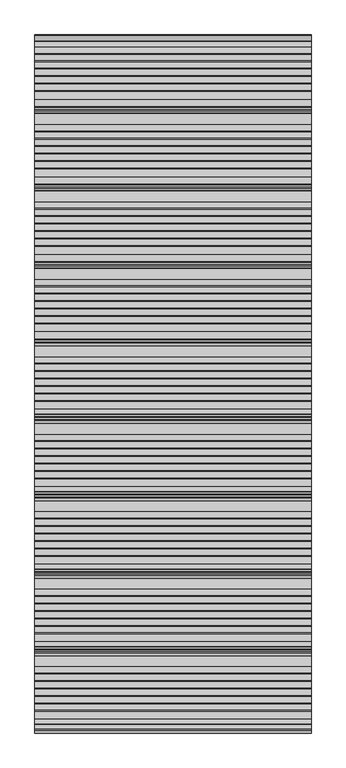
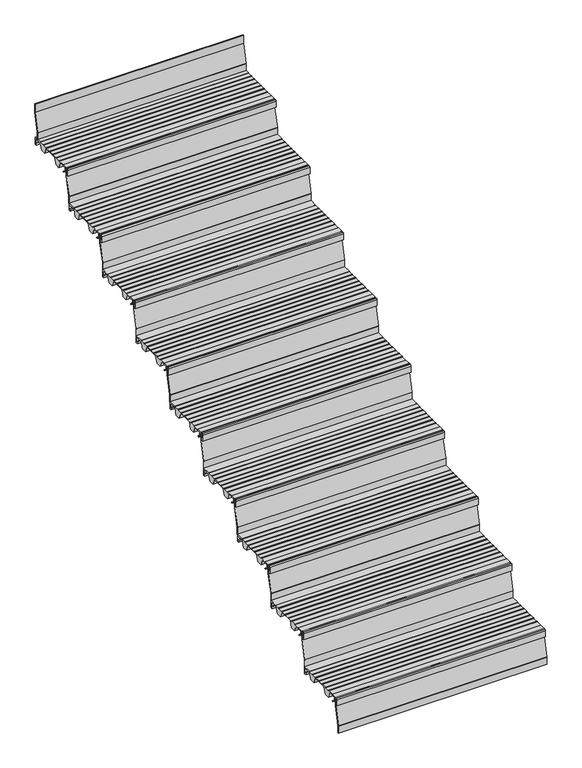
"""IFC4 building model written with IfcOpenShell, lengths in millimetres: stair flight geometry."""

from ifc_helpers import new_model, si_unit, point, frame, frame_2d, origin, place, context, project, spatial, polyline, circle_curve, trimmed, segment, composite_curve, outline, extrude, source, transform, mapped, element, save


def stair_flight_39169cca(model_context):
    return source(origin(), model_context, "Body", "SweptSolid", [
        extrude(outline(composite_curve([segment(polyline([(-251.0228882, 4122.0083372), (-239.2635956, 4112.8608187), (-235.814023, 4112.8532161), (-235.8198754, 4110.197748), (-240.1774004, 4110.2073517), (-253.4632244, 4120.5423544), (-254.1204224, 4140.3419091), (-270.9403325, 4140.3048394), (-270.9403325, 4118.9532616), (-265.0403648, 4118.9662647), (-265.0403648, 4109.707616), (-274.2346869, 4109.707616), (-274.2346869, 4140.5882353)]), True, "CONTINUOUS"), segment(trimmed(circle_curve(frame_2d((-269.2346869, 4140.5882353)), 5.0), [point((-274.2346869, 4140.5882353))], [point((-269.2346869, 4145.5882353))], False, "CARTESIAN"), True, "CONTINUOUS"), segment(polyline([(-269.2346869, 4145.5882353), (-234.5261336, 4145.5882353), (-234.5261336, 4144.2062594), (-204.4999776, 4144.1400841), (-204.4999776, 4145.7289212), (-202.4653981, 4145.7289212), (-202.4653981, 4143.7846383), (-177.6188218, 4143.7846383), (-177.6188218, 4145.7289212), (-175.5842423, 4145.7289212), (-175.5842423, 4143.7846383), (-150.7376659, 4143.7846383), (-150.7376659, 4145.7289212), (-148.7030864, 4145.7289212), (-148.7030864, 4143.7846383), (-123.8565101, 4143.7846383), (-123.8565101, 4145.7289212), (-121.8219306, 4145.7289212), (-121.8219306, 4143.7846383), (-96.9753543, 4143.7846383), (-96.9753543, 4145.7289212), (-94.9407747, 4145.7289212), (-94.9407747, 4143.7846383), (-70.1036061, 4143.7846383), (-70.1036061, 4145.7289212), (-68.0690266, 4145.7289212), (-68.0690266, 4143.7846383), (-43.2211524, 4143.7846383), (-43.2211524, 4145.6741584), (-4.2346869, 4145.5882353), (-4.2346869, 4109.6873524), (-13.429009, 4109.707616), (-13.429009, 4118.9662647), (-7.5290413, 4118.9532616), (-7.5290413, 4140.3048394), (-45.7505822, 4140.3890766), (-56.4760637, 4109.8024883), (-81.3678437, 4109.8573478), (-94.3617912, 4141.063068), (-165.0325064, 4141.2188207), (-175.9566079, 4110.0658141), (-200.848388, 4110.1206736), (-213.9210866, 4141.5155193), (-234.5261336, 4141.5609312), (-234.5261336, 4140.3850934), (-251.6316085, 4140.3473943), (-251.0228882, 4122.0083372)]), True, "CONTINUOUS")], self_intersect=False)), frame((-7858.8300828, 0.0, 0.0), z_axis=(1.0, 0.0, 0.0), x_axis=(0.0, 1.0, 0.0)), (0.0, 0.0, 1.0), 1000.0),
        extrude(outline(composite_curve([segment(polyline([(-262.7293497, 4145.5882353), (-260.7290994, 4145.5882353), (-260.7290994, 4104.1312856)]), True, "CONTINUOUS"), segment(trimmed(circle_curve(frame_2d((-264.6054869, 4104.0469557)), 3.8773048), [point((-260.7290994, 4104.1312856))], [point((-260.8355039, 4103.1410199))], False, "CARTESIAN"), True, "CONTINUOUS"), segment(polyline([(-260.8355039, 4103.1410199), (-282.2344365, 4014.0909912), (-282.2344365, 3978.0882353), (-284.2346869, 3978.0882353), (-284.2346869, 4013.7817433)]), True, "CONTINUOUS"), segment(trimmed(circle_curve(frame_2d((-279.6463851, 4013.7817433)), 4.5883018), [point((-284.2346869, 4013.7817433))], [point((-284.1076852, 4014.8538043))], False, "CARTESIAN"), True, "CONTINUOUS"), segment(polyline([(-284.1076852, 4014.8538043), (-262.7293497, 4103.8181193), (-262.7293497, 4145.5882353)]), True, "CONTINUOUS")], self_intersect=False)), frame((-7858.8300828, 0.0, 0.0), z_axis=(1.0, 0.0, 0.0), x_axis=(0.0, 1.0, 0.0)), (0.0, 0.0, 1.0), 1000.0),
        extrude(outline(composite_curve([segment(polyline([(17.2706503, 4311.4117647), (19.2709006, 4311.4117647), (19.2709006, 4269.954815)]), True, "CONTINUOUS"), segment(trimmed(circle_curve(frame_2d((15.3945131, 4269.8704851)), 3.8773048), [point((19.2709006, 4269.954815))], [point((19.1644961, 4268.9645493))], False, "CARTESIAN"), True, "CONTINUOUS"), segment(polyline([(19.1644961, 4268.9645493), (-2.2344365, 4179.9145206), (-2.2344365, 4143.9117647), (-4.2346869, 4143.9117647), (-4.2346869, 4179.6052727)]), True, "CONTINUOUS"), segment(trimmed(circle_curve(frame_2d((0.3536149, 4179.6052727)), 4.5883018), [point((-4.2346869, 4179.6052727))], [point((-4.1076852, 4180.6773337))], False, "CARTESIAN"), True, "CONTINUOUS"), segment(polyline([(-4.1076852, 4180.6773337), (17.2706503, 4269.6416487), (17.2706503, 4311.4117647)]), True, "CONTINUOUS")], self_intersect=False)), frame((-7858.8300828, 0.0, 0.0), z_axis=(1.0, 0.0, 0.0), x_axis=(0.0, 1.0, 0.0)), (0.0, 0.0, 1.0), 1000.0),
        extrude(outline(composite_curve([segment(polyline([(28.9771118, 4287.8318666), (40.7364044, 4278.6843481), (44.185977, 4278.6767455), (44.1801246, 4276.0212774), (39.8225996, 4276.0308811), (26.5367756, 4286.3658838), (25.8795776, 4306.1654385), (9.0596675, 4306.1283688), (9.0596675, 4284.7767911), (14.9596352, 4284.7897941), (14.9596352, 4275.5311454), (5.7653131, 4275.5311454), (5.7653131, 4306.4117647)]), True, "CONTINUOUS"), segment(trimmed(circle_curve(frame_2d((10.7653131, 4306.4117647)), 5.0), [point((5.7653131, 4306.4117647))], [point((10.7653131, 4311.4117647))], False, "CARTESIAN"), True, "CONTINUOUS"), segment(polyline([(10.7653131, 4311.4117647), (45.4738664, 4311.4117647), (45.4738664, 4310.0297889), (75.5000224, 4309.9636136), (75.5000224, 4311.5524506), (77.5346019, 4311.5524506), (77.5346019, 4309.6081677), (102.3811782, 4309.6081677), (102.3811782, 4311.5524506), (104.4157577, 4311.5524506), (104.4157577, 4309.6081677), (129.2623341, 4309.6081677), (129.2623341, 4311.5524506), (131.2969136, 4311.5524506), (131.2969136, 4309.6081677), (156.1434899, 4309.6081677), (156.1434899, 4311.5524506), (158.1780694, 4311.5524506), (158.1780694, 4309.6081677), (183.0246457, 4309.6081677), (183.0246457, 4311.5524506), (185.0592253, 4311.5524506), (185.0592253, 4309.6081677), (209.8963939, 4309.6081677), (209.8963939, 4311.5524506), (211.9309734, 4311.5524506), (211.9309734, 4309.6081677), (236.7788476, 4309.6081677), (236.7788476, 4311.4976878), (275.7653131, 4311.4117647), (275.7653131, 4275.5108818), (266.570991, 4275.5311454), (266.570991, 4284.7897941), (272.4709587, 4284.7767911), (272.4709587, 4306.1283688), (234.2494178, 4306.2126061), (223.5239363, 4275.6260177), (198.6321563, 4275.6808772), (185.6382088, 4306.8865974), (114.9674936, 4307.0423501), (104.0433921, 4275.8893435), (79.151612, 4275.944203), (66.0789134, 4307.3390487), (45.4738664, 4307.3844606), (45.4738664, 4306.2086228), (28.3683915, 4306.1709237), (28.9771118, 4287.8318666)]), True, "CONTINUOUS")], self_intersect=False)), frame((-7858.8300828, 0.0, 0.0), z_axis=(1.0, 0.0, 0.0), x_axis=(0.0, 1.0, 0.0)), (0.0, 0.0, 1.0), 1000.0),
        extrude(outline(composite_curve([segment(polyline([(297.2706503, 4477.2352941), (299.2709006, 4477.2352941), (299.2709006, 4435.7783444)]), True, "CONTINUOUS"), segment(trimmed(circle_curve(frame_2d((295.3945131, 4435.6940145)), 3.8773048), [point((299.2709006, 4435.7783444))], [point((299.1644961, 4434.7880787))], False, "CARTESIAN"), True, "CONTINUOUS"), segment(polyline([(299.1644961, 4434.7880787), (277.7655635, 4345.73805), (277.7655635, 4309.7352941), (275.7653131, 4309.7352941), (275.7653131, 4345.4288021)]), True, "CONTINUOUS"), segment(trimmed(circle_curve(frame_2d((280.3536149, 4345.4288021)), 4.5883018), [point((275.7653131, 4345.4288021))], [point((275.8923148, 4346.5008631))], False, "CARTESIAN"), True, "CONTINUOUS"), segment(polyline([(275.8923148, 4346.5008631), (297.2706503, 4435.4651781), (297.2706503, 4477.2352941)]), True, "CONTINUOUS")], self_intersect=False)), frame((-7858.8300828, 0.0, 0.0), z_axis=(1.0, 0.0, 0.0), x_axis=(0.0, 1.0, 0.0)), (0.0, 0.0, 1.0), 1000.0),
        extrude(outline(composite_curve([segment(polyline([(308.9771118, 4453.655396), (320.7364044, 4444.5078775), (324.185977, 4444.5002749), (324.1801246, 4441.8448068), (319.8225996, 4441.8544105), (306.5367756, 4452.1894132), (305.8795776, 4471.988968), (289.0596675, 4471.9518982), (289.0596675, 4450.6003205), (294.9596352, 4450.6133235), (294.9596352, 4441.3546748), (285.7653131, 4441.3546748), (285.7653131, 4472.2352941)]), True, "CONTINUOUS"), segment(trimmed(circle_curve(frame_2d((290.7653131, 4472.2352941)), 5.0), [point((285.7653131, 4472.2352941))], [point((290.7653131, 4477.2352941))], False, "CARTESIAN"), True, "CONTINUOUS"), segment(polyline([(290.7653131, 4477.2352941), (325.4738664, 4477.2352941), (325.4738664, 4475.8533183), (355.5000224, 4475.787143), (355.5000224, 4477.37598), (357.5346019, 4477.37598), (357.5346019, 4475.4316971), (382.3811782, 4475.4316971), (382.3811782, 4477.37598), (384.4157577, 4477.37598), (384.4157577, 4475.4316971), (409.2623341, 4475.4316971), (409.2623341, 4477.37598), (411.2969136, 4477.37598), (411.2969136, 4475.4316971), (436.1434899, 4475.4316971), (436.1434899, 4477.37598), (438.1780694, 4477.37598), (438.1780694, 4475.4316971), (463.0246457, 4475.4316971), (463.0246457, 4477.37598), (465.0592253, 4477.37598), (465.0592253, 4475.4316971), (489.8963939, 4475.4316971), (489.8963939, 4477.37598), (491.9309734, 4477.37598), (491.9309734, 4475.4316971), (516.7788476, 4475.4316971), (516.7788476, 4477.3212172), (555.7653131, 4477.2352941), (555.7653131, 4441.3344112), (546.570991, 4441.3546748), (546.570991, 4450.6133235), (552.4709587, 4450.6003205), (552.4709587, 4471.9518982), (514.2494178, 4472.0361355), (503.5239363, 4441.4495471), (478.6321563, 4441.5044067), (465.6382088, 4472.7101268), (394.9674936, 4472.8658795), (384.0433921, 4441.7128729), (359.151612, 4441.7677324), (346.0789134, 4473.1625781), (325.4738664, 4473.2079901), (325.4738664, 4472.0321522), (308.3683915, 4471.9944531), (308.9771118, 4453.655396)]), True, "CONTINUOUS")], self_intersect=False)), frame((-7858.8300828, 0.0, 0.0), z_axis=(1.0, 0.0, 0.0), x_axis=(0.0, 1.0, 0.0)), (0.0, 0.0, 1.0), 1000.0),
        extrude(outline(composite_curve([segment(polyline([(577.2706503, 4643.0588235), (579.2709006, 4643.0588235), (579.2709006, 4601.6018738)]), True, "CONTINUOUS"), segment(trimmed(circle_curve(frame_2d((575.3945131, 4601.5175439)), 3.8773048), [point((579.2709006, 4601.6018738))], [point((579.1644961, 4600.6116081))], False, "CARTESIAN"), True, "CONTINUOUS"), segment(polyline([(579.1644961, 4600.6116081), (557.7655635, 4511.5615794), (557.7655635, 4475.5588235), (555.7653131, 4475.5588235), (555.7653131, 4511.2523315)]), True, "CONTINUOUS"), segment(trimmed(circle_curve(frame_2d((560.3536149, 4511.2523315)), 4.5883018), [point((555.7653131, 4511.2523315))], [point((555.8923148, 4512.3243925))], False, "CARTESIAN"), True, "CONTINUOUS"), segment(polyline([(555.8923148, 4512.3243925), (577.2706503, 4601.2887075), (577.2706503, 4643.0588235)]), True, "CONTINUOUS")], self_intersect=False)), frame((-7858.8300828, 0.0, 0.0), z_axis=(1.0, 0.0, 0.0), x_axis=(0.0, 1.0, 0.0)), (0.0, 0.0, 1.0), 1000.0),
        extrude(outline(composite_curve([segment(polyline([(588.9771118, 4619.4789255), (600.7364044, 4610.3314069), (604.185977, 4610.3238043), (604.1801246, 4607.6683362), (599.8225996, 4607.6779399), (586.5367756, 4618.0129426), (585.8795776, 4637.8124974), (569.0596675, 4637.7754276), (569.0596675, 4616.4238499), (574.9596352, 4616.436853), (574.9596352, 4607.1782042), (565.7653131, 4607.1782042), (565.7653131, 4638.0588235)]), True, "CONTINUOUS"), segment(trimmed(circle_curve(frame_2d((570.7653131, 4638.0588235)), 5.0), [point((565.7653131, 4638.0588235))], [point((570.7653131, 4643.0588235))], False, "CARTESIAN"), True, "CONTINUOUS"), segment(polyline([(570.7653131, 4643.0588235), (605.4738664, 4643.0588235), (605.4738664, 4641.6768477), (635.5000224, 4641.6106724), (635.5000224, 4643.1995094), (637.5346019, 4643.1995094), (637.5346019, 4641.2552265), (662.3811782, 4641.2552265), (662.3811782, 4643.1995094), (664.4157577, 4643.1995094), (664.4157577, 4641.2552265), (689.2623341, 4641.2552265), (689.2623341, 4643.1995094), (691.2969136, 4643.1995094), (691.2969136, 4641.2552265), (716.1434899, 4641.2552265), (716.1434899, 4643.1995094), (718.1780694, 4643.1995094), (718.1780694, 4641.2552265), (743.0246457, 4641.2552265), (743.0246457, 4643.1995094), (745.0592253, 4643.1995094), (745.0592253, 4641.2552265), (769.8963939, 4641.2552265), (769.8963939, 4643.1995094), (771.9309734, 4643.1995094), (771.9309734, 4641.2552265), (796.7788476, 4641.2552265), (796.7788476, 4643.1447466), (835.7653131, 4643.0588235), (835.7653131, 4607.1579406), (826.570991, 4607.1782042), (826.570991, 4616.436853), (832.4709587, 4616.4238499), (832.4709587, 4637.7754276), (794.2494178, 4637.8596649), (783.5239363, 4607.2730765), (758.6321563, 4607.3279361), (745.6382088, 4638.5336562), (674.9674936, 4638.6894089), (664.0433921, 4607.5364023), (639.151612, 4607.5912618), (626.0789134, 4638.9861076), (605.4738664, 4639.0315195), (605.4738664, 4637.8556816), (588.3683915, 4637.8179825), (588.9771118, 4619.4789255)]), True, "CONTINUOUS")], self_intersect=False)), frame((-7858.8300828, 0.0, 0.0), z_axis=(1.0, 0.0, 0.0), x_axis=(0.0, 1.0, 0.0)), (0.0, 0.0, 1.0), 1000.0),
        extrude(outline(composite_curve([segment(polyline([(857.2706503, 4808.8823529), (859.2709006, 4808.8823529), (859.2709006, 4767.4254032)]), True, "CONTINUOUS"), segment(trimmed(circle_curve(frame_2d((855.3945131, 4767.3410734)), 3.8773048), [point((859.2709006, 4767.4254032))], [point((859.1644961, 4766.4351375))], False, "CARTESIAN"), True, "CONTINUOUS"), segment(polyline([(859.1644961, 4766.4351375), (837.7655635, 4677.3851088), (837.7655635, 4641.3823529), (835.7653131, 4641.3823529), (835.7653131, 4677.075861)]), True, "CONTINUOUS"), segment(trimmed(circle_curve(frame_2d((840.3536149, 4677.075861)), 4.5883018), [point((835.7653131, 4677.075861))], [point((835.8923148, 4678.1479219))], False, "CARTESIAN"), True, "CONTINUOUS"), segment(polyline([(835.8923148, 4678.1479219), (857.2706503, 4767.112237), (857.2706503, 4808.8823529)]), True, "CONTINUOUS")], self_intersect=False)), frame((-7858.8300828, 0.0, 0.0), z_axis=(1.0, 0.0, 0.0), x_axis=(0.0, 1.0, 0.0)), (0.0, 0.0, 1.0), 1000.0),
        extrude(outline(composite_curve([segment(polyline([(868.9771118, 4785.3024549), (880.7364044, 4776.1549363), (884.185977, 4776.1473337), (884.1801246, 4773.4918657), (879.8225996, 4773.5014693), (866.5367756, 4783.836472), (865.8795776, 4803.6360268), (849.0596675, 4803.598957), (849.0596675, 4782.2473793), (854.9596352, 4782.2603824), (854.9596352, 4773.0017336), (845.7653131, 4773.0017336), (845.7653131, 4803.8823529)]), True, "CONTINUOUS"), segment(trimmed(circle_curve(frame_2d((850.7653131, 4803.8823529)), 5.0), [point((845.7653131, 4803.8823529))], [point((850.7653131, 4808.8823529))], False, "CARTESIAN"), True, "CONTINUOUS"), segment(polyline([(850.7653131, 4808.8823529), (885.4738664, 4808.8823529), (885.4738664, 4807.5003771), (915.5000224, 4807.4342018), (915.5000224, 4809.0230388), (917.5346019, 4809.0230388), (917.5346019, 4807.0787559), (942.3811782, 4807.0787559), (942.3811782, 4809.0230388), (944.4157577, 4809.0230388), (944.4157577, 4807.0787559), (969.2623341, 4807.0787559), (969.2623341, 4809.0230388), (971.2969136, 4809.0230388), (971.2969136, 4807.0787559), (996.1434899, 4807.0787559), (996.1434899, 4809.0230388), (998.1780694, 4809.0230388), (998.1780694, 4807.0787559), (1023.0246457, 4807.0787559), (1023.0246457, 4809.0230388), (1025.0592253, 4809.0230388), (1025.0592253, 4807.0787559), (1049.8963939, 4807.0787559), (1049.8963939, 4809.0230388), (1051.9309734, 4809.0230388), (1051.9309734, 4807.0787559), (1076.7788476, 4807.0787559), (1076.7788476, 4808.9682761), (1115.7653131, 4808.8823529), (1115.7653131, 4772.9814701), (1106.570991, 4773.0017336), (1106.570991, 4782.2603824), (1112.4709587, 4782.2473793), (1112.4709587, 4803.598957), (1074.2494178, 4803.6831943), (1063.5239363, 4773.096606), (1038.6321563, 4773.1514655), (1025.6382088, 4804.3571856), (954.9674936, 4804.5129384), (944.0433921, 4773.3599317), (919.151612, 4773.4147912), (906.0789134, 4804.809637), (885.4738664, 4804.8550489), (885.4738664, 4803.6792111), (868.3683915, 4803.6415119), (868.9771118, 4785.3024549)]), True, "CONTINUOUS")], self_intersect=False)), frame((-7858.8300828, 0.0, 0.0), z_axis=(1.0, 0.0, 0.0), x_axis=(0.0, 1.0, 0.0)), (0.0, 0.0, 1.0), 1000.0),
        extrude(outline(composite_curve([segment(polyline([(1137.2706503, 4974.7058824), (1139.2709006, 4974.7058824), (1139.2709006, 4933.2489326)]), True, "CONTINUOUS"), segment(trimmed(circle_curve(frame_2d((1135.3945131, 4933.1646028)), 3.8773048), [point((1139.2709006, 4933.2489326))], [point((1139.1644961, 4932.2586669))], False, "CARTESIAN"), True, "CONTINUOUS"), segment(polyline([(1139.1644961, 4932.2586669), (1117.7655635, 4843.2086383), (1117.7655635, 4807.2058824), (1115.7653131, 4807.2058824), (1115.7653131, 4842.8993904)]), True, "CONTINUOUS"), segment(trimmed(circle_curve(frame_2d((1120.3536149, 4842.8993904)), 4.5883018), [point((1115.7653131, 4842.8993904))], [point((1115.8923148, 4843.9714513))], False, "CARTESIAN"), True, "CONTINUOUS"), segment(polyline([(1115.8923148, 4843.9714513), (1137.2706503, 4932.9357664), (1137.2706503, 4974.7058824)]), True, "CONTINUOUS")], self_intersect=False)), frame((-7858.8300828, 0.0, 0.0), z_axis=(1.0, 0.0, 0.0), x_axis=(0.0, 1.0, 0.0)), (0.0, 0.0, 1.0), 1000.0),
        extrude(outline(composite_curve([segment(polyline([(1148.9771118, 4951.1259843), (1160.7364044, 4941.9784657), (1164.185977, 4941.9708632), (1164.1801246, 4939.3153951), (1159.8225996, 4939.3249987), (1146.5367756, 4949.6600014), (1145.8795776, 4969.4595562), (1129.0596675, 4969.4224864), (1129.0596675, 4948.0709087), (1134.9596352, 4948.0839118), (1134.9596352, 4938.825263), (1125.7653131, 4938.825263), (1125.7653131, 4969.7058824)]), True, "CONTINUOUS"), segment(trimmed(circle_curve(frame_2d((1130.7653131, 4969.7058824)), 5.0), [point((1125.7653131, 4969.7058824))], [point((1130.7653131, 4974.7058824))], False, "CARTESIAN"), True, "CONTINUOUS"), segment(polyline([(1130.7653131, 4974.7058824), (1165.4738664, 4974.7058824), (1165.4738664, 4973.3239065), (1195.5000224, 4973.2577312), (1195.5000224, 4974.8465682), (1197.5346019, 4974.8465682), (1197.5346019, 4972.9022853), (1222.3811782, 4972.9022853), (1222.3811782, 4974.8465682), (1224.4157577, 4974.8465682), (1224.4157577, 4972.9022853), (1249.2623341, 4972.9022853), (1249.2623341, 4974.8465682), (1251.2969136, 4974.8465682), (1251.2969136, 4972.9022853), (1276.1434899, 4972.9022853), (1276.1434899, 4974.8465682), (1278.1780694, 4974.8465682), (1278.1780694, 4972.9022853), (1303.0246457, 4972.9022853), (1303.0246457, 4974.8465682), (1305.0592253, 4974.8465682), (1305.0592253, 4972.9022853), (1329.8963939, 4972.9022853), (1329.8963939, 4974.8465682), (1331.9309734, 4974.8465682), (1331.9309734, 4972.9022853), (1356.7788476, 4972.9022853), (1356.7788476, 4974.7918055), (1395.7653131, 4974.7058824), (1395.7653131, 4938.8049995), (1386.570991, 4938.825263), (1386.570991, 4948.0839118), (1392.4709587, 4948.0709087), (1392.4709587, 4969.4224864), (1354.2494178, 4969.5067237), (1343.5239363, 4938.9201354), (1318.6321563, 4938.9749949), (1305.6382088, 4970.180715), (1234.9674936, 4970.3364678), (1224.0433921, 4939.1834611), (1199.151612, 4939.2383207), (1186.0789134, 4970.6331664), (1165.4738664, 4970.6785783), (1165.4738664, 4969.5027405), (1148.3683915, 4969.4650413), (1148.9771118, 4951.1259843)]), True, "CONTINUOUS")], self_intersect=False)), frame((-7858.8300828, 0.0, 0.0), z_axis=(1.0, 0.0, 0.0), x_axis=(0.0, 1.0, 0.0)), (0.0, 0.0, 1.0), 1000.0),
        extrude(outline(composite_curve([segment(polyline([(1417.2706503, 5140.5294118), (1419.2709006, 5140.5294118), (1419.2709006, 5099.072462)]), True, "CONTINUOUS"), segment(trimmed(circle_curve(frame_2d((1415.3945131, 5098.9881322)), 3.8773048), [point((1419.2709006, 5099.072462))], [point((1419.1644961, 5098.0821963))], False, "CARTESIAN"), True, "CONTINUOUS"), segment(polyline([(1419.1644961, 5098.0821963), (1397.7655635, 5009.0321677), (1397.7655635, 4973.0294118), (1395.7653131, 4973.0294118), (1395.7653131, 5008.7229198)]), True, "CONTINUOUS"), segment(trimmed(circle_curve(frame_2d((1400.3536149, 5008.7229198)), 4.5883018), [point((1395.7653131, 5008.7229198))], [point((1395.8923148, 5009.7949808))], False, "CARTESIAN"), True, "CONTINUOUS"), segment(polyline([(1395.8923148, 5009.7949808), (1417.2706503, 5098.7592958), (1417.2706503, 5140.5294118)]), True, "CONTINUOUS")], self_intersect=False)), frame((-7858.8300828, 0.0, 0.0), z_axis=(1.0, 0.0, 0.0), x_axis=(0.0, 1.0, 0.0)), (0.0, 0.0, 1.0), 1000.0),
        extrude(outline(composite_curve([segment(polyline([(1428.9771118, 5116.9495137), (1440.7364044, 5107.8019951), (1444.185977, 5107.7943926), (1444.1801246, 5105.1389245), (1439.8225996, 5105.1485281), (1426.5367756, 5115.4835308), (1425.8795776, 5135.2830856), (1409.0596675, 5135.2460158), (1409.0596675, 5113.8944381), (1414.9596352, 5113.9074412), (1414.9596352, 5104.6487924), (1405.7653131, 5104.6487924), (1405.7653131, 5135.5294118)]), True, "CONTINUOUS"), segment(trimmed(circle_curve(frame_2d((1410.7653131, 5135.5294118)), 5.0), [point((1405.7653131, 5135.5294118))], [point((1410.7653131, 5140.5294118))], False, "CARTESIAN"), True, "CONTINUOUS"), segment(polyline([(1410.7653131, 5140.5294118), (1445.4738664, 5140.5294118), (1445.4738664, 5139.1474359), (1475.5000224, 5139.0812606), (1475.5000224, 5140.6700976), (1477.5346019, 5140.6700976), (1477.5346019, 5138.7258147), (1502.3811782, 5138.7258147), (1502.3811782, 5140.6700976), (1504.4157577, 5140.6700976), (1504.4157577, 5138.7258147), (1529.2623341, 5138.7258147), (1529.2623341, 5140.6700976), (1531.2969136, 5140.6700976), (1531.2969136, 5138.7258147), (1556.1434899, 5138.7258147), (1556.1434899, 5140.6700976), (1558.1780694, 5140.6700976), (1558.1780694, 5138.7258147), (1583.0246457, 5138.7258147), (1583.0246457, 5140.6700976), (1585.0592253, 5140.6700976), (1585.0592253, 5138.7258147), (1609.8963939, 5138.7258147), (1609.8963939, 5140.6700976), (1611.9309734, 5140.6700976), (1611.9309734, 5138.7258147), (1636.7788476, 5138.7258147), (1636.7788476, 5140.6153349), (1675.7653131, 5140.5294118), (1675.7653131, 5104.6285289), (1666.570991, 5104.6487924), (1666.570991, 5113.9074412), (1672.4709587, 5113.8944381), (1672.4709587, 5135.2460158), (1634.2494178, 5135.3302531), (1623.5239363, 5104.7436648), (1598.6321563, 5104.7985243), (1585.6382088, 5136.0042445), (1514.9674936, 5136.1599972), (1504.0433921, 5105.0069905), (1479.151612, 5105.0618501), (1466.0789134, 5136.4566958), (1445.4738664, 5136.5021077), (1445.4738664, 5135.3262699), (1428.3683915, 5135.2885708), (1428.9771118, 5116.9495137)]), True, "CONTINUOUS")], self_intersect=False)), frame((-7858.8300828, 0.0, 0.0), z_axis=(1.0, 0.0, 0.0), x_axis=(0.0, 1.0, 0.0)), (0.0, 0.0, 1.0), 1000.0),
        extrude(outline(composite_curve([segment(polyline([(1697.2706503, 5306.3529412), (1699.2709006, 5306.3529412), (1699.2709006, 5264.8959915)]), True, "CONTINUOUS"), segment(trimmed(circle_curve(frame_2d((1695.3945131, 5264.8116616)), 3.8773048), [point((1699.2709006, 5264.8959915))], [point((1699.1644961, 5263.9057257))], False, "CARTESIAN"), True, "CONTINUOUS"), segment(polyline([(1699.1644961, 5263.9057257), (1677.7655635, 5174.8556971), (1677.7655635, 5138.8529412), (1675.7653131, 5138.8529412), (1675.7653131, 5174.5464492)]), True, "CONTINUOUS"), segment(trimmed(circle_curve(frame_2d((1680.3536149, 5174.5464492)), 4.5883018), [point((1675.7653131, 5174.5464492))], [point((1675.8923148, 5175.6185102))], False, "CARTESIAN"), True, "CONTINUOUS"), segment(polyline([(1675.8923148, 5175.6185102), (1697.2706503, 5264.5828252), (1697.2706503, 5306.3529412)]), True, "CONTINUOUS")], self_intersect=False)), frame((-7858.8300828, 0.0, 0.0), z_axis=(1.0, 0.0, 0.0), x_axis=(0.0, 1.0, 0.0)), (0.0, 0.0, 1.0), 1000.0),
        extrude(outline(composite_curve([segment(polyline([(1708.9771118, 5282.7730431), (1720.7364044, 5273.6255246), (1724.185977, 5273.617922), (1724.1801246, 5270.9624539), (1719.8225996, 5270.9720575), (1706.5367756, 5281.3070603), (1705.8795776, 5301.106615), (1689.0596675, 5301.0695452), (1689.0596675, 5279.7179675), (1694.9596352, 5279.7309706), (1694.9596352, 5270.4723219), (1685.7653131, 5270.4723219), (1685.7653131, 5301.3529412)]), True, "CONTINUOUS"), segment(trimmed(circle_curve(frame_2d((1690.7653131, 5301.3529412)), 5.0), [point((1685.7653131, 5301.3529412))], [point((1690.7653131, 5306.3529412))], False, "CARTESIAN"), True, "CONTINUOUS"), segment(polyline([(1690.7653131, 5306.3529412), (1725.4738664, 5306.3529412), (1725.4738664, 5304.9709653), (1755.5000224, 5304.90479), (1755.5000224, 5306.4936271), (1757.5346019, 5306.4936271), (1757.5346019, 5304.5493441), (1782.3811782, 5304.5493441), (1782.3811782, 5306.4936271), (1784.4157577, 5306.4936271), (1784.4157577, 5304.5493441), (1809.2623341, 5304.5493441), (1809.2623341, 5306.4936271), (1811.2969136, 5306.4936271), (1811.2969136, 5304.5493441), (1836.1434899, 5304.5493441), (1836.1434899, 5306.4936271), (1838.1780694, 5306.4936271), (1838.1780694, 5304.5493441), (1863.0246457, 5304.5493441), (1863.0246457, 5306.4936271), (1865.0592253, 5306.4936271), (1865.0592253, 5304.5493441), (1889.8963939, 5304.5493441), (1889.8963939, 5306.4936271), (1891.9309734, 5306.4936271), (1891.9309734, 5304.5493441), (1916.7788476, 5304.5493441), (1916.7788476, 5306.4388643), (1955.7653131, 5306.3529412), (1955.7653131, 5270.4520583), (1946.570991, 5270.4723219), (1946.570991, 5279.7309706), (1952.4709587, 5279.7179675), (1952.4709587, 5301.0695452), (1914.2494178, 5301.1537825), (1903.5239363, 5270.5671942), (1878.6321563, 5270.6220537), (1865.6382088, 5301.8277739), (1794.9674936, 5301.9835266), (1784.0433921, 5270.8305199), (1759.151612, 5270.8853795), (1746.0789134, 5302.2802252), (1725.4738664, 5302.3256371), (1725.4738664, 5301.1497993), (1708.3683915, 5301.1121002), (1708.9771118, 5282.7730431)]), True, "CONTINUOUS")], self_intersect=False)), frame((-7858.8300828, 0.0, 0.0), z_axis=(1.0, 0.0, 0.0), x_axis=(0.0, 1.0, 0.0)), (0.0, 0.0, 1.0), 1000.0),
        extrude(outline(composite_curve([segment(polyline([(2237.2706503, 5638.0), (2239.2709006, 5638.0), (2239.2709006, 5596.5430503)]), True, "CONTINUOUS"), segment(trimmed(circle_curve(frame_2d((2235.3945131, 5596.4587204)), 3.8773048), [point((2239.2709006, 5596.5430503))], [point((2239.1644961, 5595.5527846))], False, "CARTESIAN"), True, "CONTINUOUS"), segment(polyline([(2239.1644961, 5595.5527846), (2217.7655635, 5506.5027559), (2217.7655635, 5470.5), (2215.7653131, 5470.5), (2215.7653131, 5506.193508)]), True, "CONTINUOUS"), segment(trimmed(circle_curve(frame_2d((2220.3536149, 5506.193508)), 4.5883018), [point((2215.7653131, 5506.193508))], [point((2215.8923148, 5507.265569))], False, "CARTESIAN"), True, "CONTINUOUS"), segment(polyline([(2215.8923148, 5507.265569), (2237.2706503, 5596.229884), (2237.2706503, 5638.0)]), True, "CONTINUOUS")], self_intersect=False)), frame((-7858.8300828, 0.0, 0.0), z_axis=(1.0, 0.0, 0.0), x_axis=(0.0, 1.0, 0.0)), (0.0, 0.0, 1.0), 1000.0),
        extrude(outline(composite_curve([segment(polyline([(1977.2706503, 5472.1764706), (1979.2709006, 5472.1764706), (1979.2709006, 5430.7195209)]), True, "CONTINUOUS"), segment(trimmed(circle_curve(frame_2d((1975.3945131, 5430.635191)), 3.8773048), [point((1979.2709006, 5430.7195209))], [point((1979.1644961, 5429.7292551))], False, "CARTESIAN"), True, "CONTINUOUS"), segment(polyline([(1979.1644961, 5429.7292551), (1957.7655635, 5340.6792265), (1957.7655635, 5304.6764706), (1955.7653131, 5304.6764706), (1955.7653131, 5340.3699786)]), True, "CONTINUOUS"), segment(trimmed(circle_curve(frame_2d((1960.3536149, 5340.3699786)), 4.5883018), [point((1955.7653131, 5340.3699786))], [point((1955.8923148, 5341.4420396))], False, "CARTESIAN"), True, "CONTINUOUS"), segment(polyline([(1955.8923148, 5341.4420396), (1977.2706503, 5430.4063546), (1977.2706503, 5472.1764706)]), True, "CONTINUOUS")], self_intersect=False)), frame((-7858.8300828, 0.0, 0.0), z_axis=(1.0, 0.0, 0.0), x_axis=(0.0, 1.0, 0.0)), (0.0, 0.0, 1.0), 1000.0),
        extrude(outline(composite_curve([segment(polyline([(1988.9771118, 5448.5965725), (2000.7364044, 5439.449054), (2004.185977, 5439.4414514), (2004.1801246, 5436.7859833), (1999.8225996, 5436.7955869), (1986.5367756, 5447.1305897), (1985.8795776, 5466.9301444), (1969.0596675, 5466.8930747), (1969.0596675, 5445.5414969), (1974.9596352, 5445.5545), (1974.9596352, 5436.2958513), (1965.7653131, 5436.2958513), (1965.7653131, 5467.1764706)]), True, "CONTINUOUS"), segment(trimmed(circle_curve(frame_2d((1970.7653131, 5467.1764706)), 5.0), [point((1965.7653131, 5467.1764706))], [point((1970.7653131, 5472.1764706))], False, "CARTESIAN"), True, "CONTINUOUS"), segment(polyline([(1970.7653131, 5472.1764706), (2005.4738664, 5472.1764706), (2005.4738664, 5470.7944947), (2035.5000224, 5470.7283194), (2035.5000224, 5472.3171565), (2037.5346019, 5472.3171565), (2037.5346019, 5470.3728736), (2062.3811782, 5470.3728736), (2062.3811782, 5472.3171565), (2064.4157577, 5472.3171565), (2064.4157577, 5470.3728736), (2089.2623341, 5470.3728736), (2089.2623341, 5472.3171565), (2091.2969136, 5472.3171565), (2091.2969136, 5470.3728736), (2116.1434899, 5470.3728736), (2116.1434899, 5472.3171565), (2118.1780694, 5472.3171565), (2118.1780694, 5470.3728736), (2143.0246457, 5470.3728736), (2143.0246457, 5472.3171565), (2145.0592253, 5472.3171565), (2145.0592253, 5470.3728736), (2169.8963939, 5470.3728736), (2169.8963939, 5472.3171565), (2171.9309734, 5472.3171565), (2171.9309734, 5470.3728736), (2196.7788476, 5470.3728736), (2196.7788476, 5472.2623937), (2235.7653131, 5472.1764706), (2235.7653131, 5436.2755877), (2226.570991, 5436.2958513), (2226.570991, 5445.5545), (2232.4709587, 5445.5414969), (2232.4709587, 5466.8930747), (2194.2494178, 5466.9773119), (2183.5239363, 5436.3907236), (2158.6321563, 5436.4455831), (2145.6382088, 5467.6513033), (2074.9674936, 5467.807056), (2064.0433921, 5436.6540494), (2039.151612, 5436.7089089), (2026.0789134, 5468.1037546), (2005.4738664, 5468.1491665), (2005.4738664, 5466.9733287), (1988.3683915, 5466.9356296), (1988.9771118, 5448.5965725)]), True, "CONTINUOUS")], self_intersect=False)), frame((-7858.8300828, 0.0, 0.0), z_axis=(1.0, 0.0, 0.0), x_axis=(0.0, 1.0, 0.0)), (0.0, 0.0, 1.0), 1000.0),
    ])


if __name__ == "__main__":
    model = new_model("IFC4")
    model_context = context("Model", 3, world=origin())
    ifc_project = project(units=[si_unit("LENGTHUNIT", "METRE", prefix="MILLI")], contexts=[model_context])
    site = spatial("IfcSite", under=ifc_project)
    building = spatial("IfcBuilding", under=site)
    placement = place(None, origin())
    stair_flight_shape = stair_flight_39169cca(model_context)
    element("IfcStairFlight", 1, at=placement, inside=building, context=model_context, shape_type="MappedRepresentation", body=[
        mapped(stair_flight_shape, transform((0.0, 0.0, 0.0), x_axis=(1.0, 0.0, 0.0), y_axis=(0.0, 1.0, 0.0), z_axis=(0.0, 0.0, 1.0))),
    ])
    save(model, "model.ifc")
